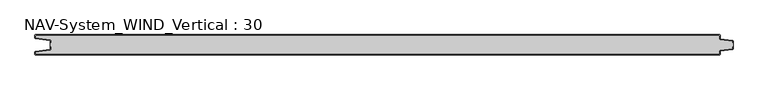
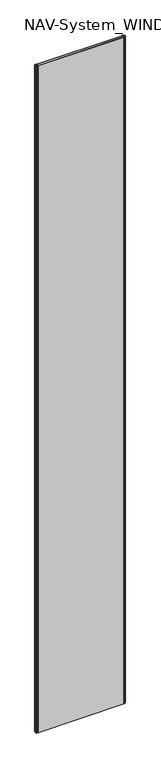
"""IFC4 building model written with IfcOpenShell, lengths in millimetres: plate geometry, NAV-System_WIND_Vertical : 30."""

from ifc_helpers import new_model, si_unit, point, frame_2d, origin, origin_with_axes, place, context, project, spatial, polyline, circle_curve, trimmed, segment, composite_curve, outline, extrude, source, transform, mapped, element, save


def nav_system_wind_vertical_30_c93617c3(model_context):
    return source(origin(), model_context, "Body", "SweptSolid", [
        extrude(outline(composite_curve([segment(polyline([(519.0, -18.2932637), (519.0, -20.1932637)]), True, "CONTINUOUS"), segment(trimmed(circle_curve(frame_2d((517.7, -20.1932637)), 1.3), [point((519.0, -20.1932637))], [point((517.8810287, -21.4805976))], False, "CARTESIAN"), True, "CONTINUOUS"), segment(polyline([(517.8810287, -21.4805976), (500.602523, -23.9103519)]), True, "CONTINUOUS"), segment(trimmed(circle_curve(frame_2d((500.7, -24.6035317)), 0.7), [point((500.602523, -23.9103519))], [point((500.0, -24.6035317))], True, "CARTESIAN"), True, "CONTINUOUS"), segment(polyline([(500.0, -24.6035317), (500.0, -28.7)]), True, "CONTINUOUS"), segment(trimmed(circle_curve(frame_2d((498.7, -28.7)), 1.3), [point((500.0, -28.7))], [point((498.7, -30.0))], False, "CARTESIAN"), True, "CONTINUOUS"), segment(polyline([(498.7, -30.0), (-498.7, -30.0)]), True, "CONTINUOUS"), segment(trimmed(circle_curve(frame_2d((-498.7, -28.7)), 1.3), [point((-498.7, -30.0))], [point((-500.0, -28.7))], False, "CARTESIAN"), True, "CONTINUOUS"), segment(polyline([(-500.0, -28.7), (-500.0, -25.6299809)]), True, "CONTINUOUS"), segment(trimmed(circle_curve(frame_2d((-498.7, -25.6299809)), 1.3), [point((-500.0, -25.6299809))], [point((-498.8810287, -24.342647))], False, "CARTESIAN"), True, "CONTINUOUS"), segment(polyline([(-498.8810287, -24.342647), (-478.102523, -21.4207123)]), True, "CONTINUOUS"), segment(trimmed(circle_curve(frame_2d((-478.2, -20.7275325)), 0.7), [point((-478.102523, -21.4207123))], [point((-477.5, -20.7275325))], True, "CARTESIAN"), True, "CONTINUOUS"), segment(polyline([(-477.5, -20.7275325), (-477.5, -18.3275325), (-476.7, -18.3275325), (-476.7, -20.7275325)]), True, "CONTINUOUS"), segment(trimmed(circle_curve(frame_2d((-478.2, -20.7275325)), 1.5), [point((-476.7, -20.7275325))], [point((-477.9911207, -22.2129178))], False, "CARTESIAN"), True, "CONTINUOUS"), segment(polyline([(-477.9911207, -22.2129178), (-499.2, -25.1953728), (-499.2, -28.7)]), True, "CONTINUOUS"), segment(trimmed(circle_curve(frame_2d((-498.7, -28.7)), 0.5), [point((-499.2, -28.7))], [point((-498.7, -29.2))], True, "CARTESIAN"), True, "CONTINUOUS"), segment(polyline([(-498.7, -29.2), (498.7, -29.2)]), True, "CONTINUOUS"), segment(trimmed(circle_curve(frame_2d((498.7, -28.7)), 0.5), [point((498.7, -29.2))], [point((499.2, -28.7))], True, "CARTESIAN"), True, "CONTINUOUS"), segment(polyline([(499.2, -28.7), (499.2, -24.6035317)]), True, "CONTINUOUS"), segment(trimmed(circle_curve(frame_2d((500.7, -24.6035317)), 1.5), [point((499.2, -24.6035317))], [point((500.4911207, -23.1181464))], False, "CARTESIAN"), True, "CONTINUOUS"), segment(polyline([(500.4911207, -23.1181464), (518.2, -20.6278717), (518.2, -18.2932637), (519.0, -18.2932637)]), True, "CONTINUOUS")], self_intersect=False)), origin_with_axes(), (0.0, 0.0, 1.0), 8000.0),
        extrude(outline(composite_curve([segment(polyline([(519.0, -11.7067363), (518.2, -11.7067363), (518.2, -9.3721283), (500.4911207, -6.8818536)]), True, "CONTINUOUS"), segment(trimmed(circle_curve(frame_2d((500.7, -5.3964683)), 1.5), [point((500.4911207, -6.8818536))], [point((499.2, -5.3964683))], False, "CARTESIAN"), True, "CONTINUOUS"), segment(polyline([(499.2, -5.3964683), (499.2, -1.3)]), True, "CONTINUOUS"), segment(trimmed(circle_curve(frame_2d((498.7, -1.3)), 0.5), [point((499.2, -1.3))], [point((498.7, -0.8))], True, "CARTESIAN"), True, "CONTINUOUS"), segment(polyline([(498.7, -0.8), (-498.7, -0.8)]), True, "CONTINUOUS"), segment(trimmed(circle_curve(frame_2d((-498.7, -1.3)), 0.5), [point((-498.7, -0.8))], [point((-499.2, -1.3))], True, "CARTESIAN"), True, "CONTINUOUS"), segment(polyline([(-499.2, -1.3), (-499.2, -4.8046272), (-477.9911207, -7.7870822)]), True, "CONTINUOUS"), segment(trimmed(circle_curve(frame_2d((-478.2, -9.2724675)), 1.5), [point((-477.9911207, -7.7870822))], [point((-476.7, -9.2724675))], False, "CARTESIAN"), True, "CONTINUOUS"), segment(polyline([(-476.7, -9.2724675), (-476.7, -11.6724675), (-477.5, -11.6724675), (-477.5, -9.2724675)]), True, "CONTINUOUS"), segment(trimmed(circle_curve(frame_2d((-478.2, -9.2724675)), 0.7), [point((-477.5, -9.2724675))], [point((-478.102523, -8.5792877))], True, "CARTESIAN"), True, "CONTINUOUS"), segment(polyline([(-478.102523, -8.5792877), (-498.8810287, -5.657353)]), True, "CONTINUOUS"), segment(trimmed(circle_curve(frame_2d((-498.7, -4.3700191)), 1.3), [point((-498.8810287, -5.657353))], [point((-500.0, -4.3700191))], False, "CARTESIAN"), True, "CONTINUOUS"), segment(polyline([(-500.0, -4.3700191), (-500.0, -1.3)]), True, "CONTINUOUS"), segment(trimmed(circle_curve(frame_2d((-498.7, -1.3)), 1.3), [point((-500.0, -1.3))], [point((-498.7, 0.0))], False, "CARTESIAN"), True, "CONTINUOUS"), segment(polyline([(-498.7, 0.0), (498.7, 0.0)]), True, "CONTINUOUS"), segment(trimmed(circle_curve(frame_2d((498.7, -1.3)), 1.3), [point((498.7, 0.0))], [point((500.0, -1.3))], False, "CARTESIAN"), True, "CONTINUOUS"), segment(polyline([(500.0, -1.3), (500.0, -5.3964683)]), True, "CONTINUOUS"), segment(trimmed(circle_curve(frame_2d((500.7, -5.3964683)), 0.7), [point((500.0, -5.3964683))], [point((500.602523, -6.0896481))], True, "CARTESIAN"), True, "CONTINUOUS"), segment(polyline([(500.602523, -6.0896481), (517.8810287, -8.5194024)]), True, "CONTINUOUS"), segment(trimmed(circle_curve(frame_2d((517.7, -9.8067363)), 1.3), [point((517.8810287, -8.5194024))], [point((519.0, -9.8067363))], False, "CARTESIAN"), True, "CONTINUOUS"), segment(polyline([(519.0, -9.8067363), (519.0, -11.7067363)]), True, "CONTINUOUS")], self_intersect=False)), origin_with_axes(), (0.0, 0.0, 1.0), 8000.0),
        extrude(outline(composite_curve([segment(polyline([(500.4911207, -6.8818536), (518.2, -9.3721283), (518.2, -11.6767555), (519.0, -11.6767555), (519.0, -18.2767555), (518.2, -18.2767555), (518.2, -20.6278717), (500.4911207, -23.1181464)]), True, "CONTINUOUS"), segment(trimmed(circle_curve(frame_2d((500.7, -24.6035317)), 1.5), [point((500.4911207, -23.1181464))], [point((499.2, -24.6035317))], True, "CARTESIAN"), True, "CONTINUOUS"), segment(polyline([(499.2, -24.6035317), (499.2, -28.7)]), True, "CONTINUOUS"), segment(trimmed(circle_curve(frame_2d((498.7, -28.7)), 0.5), [point((499.2, -28.7))], [point((498.7, -29.2))], False, "CARTESIAN"), True, "CONTINUOUS"), segment(polyline([(498.7, -29.2), (-498.7, -29.2)]), True, "CONTINUOUS"), segment(trimmed(circle_curve(frame_2d((-498.7, -28.7)), 0.5), [point((-498.7, -29.2))], [point((-499.2, -28.7))], False, "CARTESIAN"), True, "CONTINUOUS"), segment(polyline([(-499.2, -28.7), (-499.2, -25.1953728), (-477.9911207, -22.2129178)]), True, "CONTINUOUS"), segment(trimmed(circle_curve(frame_2d((-478.2, -20.7275325)), 1.5), [point((-477.9911207, -22.2129178))], [point((-476.7, -20.7275325))], True, "CARTESIAN"), True, "CONTINUOUS"), segment(polyline([(-476.7, -20.7275325), (-476.7, -18.2767555), (-477.5, -18.2767555), (-477.5, -11.6767555), (-476.7, -11.6767555), (-476.7, -9.2724675)]), True, "CONTINUOUS"), segment(trimmed(circle_curve(frame_2d((-478.2, -9.2724675)), 1.5), [point((-476.7, -9.2724675))], [point((-477.9911207, -7.7870822))], True, "CARTESIAN"), True, "CONTINUOUS"), segment(polyline([(-477.9911207, -7.7870822), (-499.2, -4.8046272), (-499.2, -1.3)]), True, "CONTINUOUS"), segment(trimmed(circle_curve(frame_2d((-498.7, -1.3)), 0.5), [point((-499.2, -1.3))], [point((-498.7, -0.8))], False, "CARTESIAN"), True, "CONTINUOUS"), segment(polyline([(-498.7, -0.8), (498.7, -0.8)]), True, "CONTINUOUS"), segment(trimmed(circle_curve(frame_2d((498.7, -1.3)), 0.5), [point((498.7, -0.8))], [point((499.2, -1.3))], False, "CARTESIAN"), True, "CONTINUOUS"), segment(polyline([(499.2, -1.3), (499.2, -5.3964683)]), True, "CONTINUOUS"), segment(trimmed(circle_curve(frame_2d((500.7, -5.3964683)), 1.5), [point((499.2, -5.3964683))], [point((500.4911207, -6.8818536))], True, "CARTESIAN"), True, "CONTINUOUS")], self_intersect=False)), origin_with_axes(), (0.0, 0.0, 1.0), 8000.0),
    ])


if __name__ == "__main__":
    model = new_model("IFC4")
    model_context = context("Model", 3, world=origin())
    ifc_project = project(units=[si_unit("LENGTHUNIT", "METRE", prefix="MILLI")], contexts=[model_context])
    site = spatial("IfcSite", under=ifc_project)
    building = spatial("IfcBuilding", under=site)
    placement = place(None, origin())
    nav_system_wind_vertical_30_shape = nav_system_wind_vertical_30_c93617c3(model_context)
    element("IfcPlate", 1, ObjectType="NAV-System_WIND_Vertical : 30", at=placement, inside=building, context=model_context, shape_type="MappedRepresentation", body=[
        mapped(nav_system_wind_vertical_30_shape, transform((0.0, 0.0, 0.0), x_axis=(1.0, 0.0, 0.0), y_axis=(0.0, 1.0, 0.0), z_axis=(0.0, 0.0, 1.0))),
    ])
    save(model, "model.ifc")
